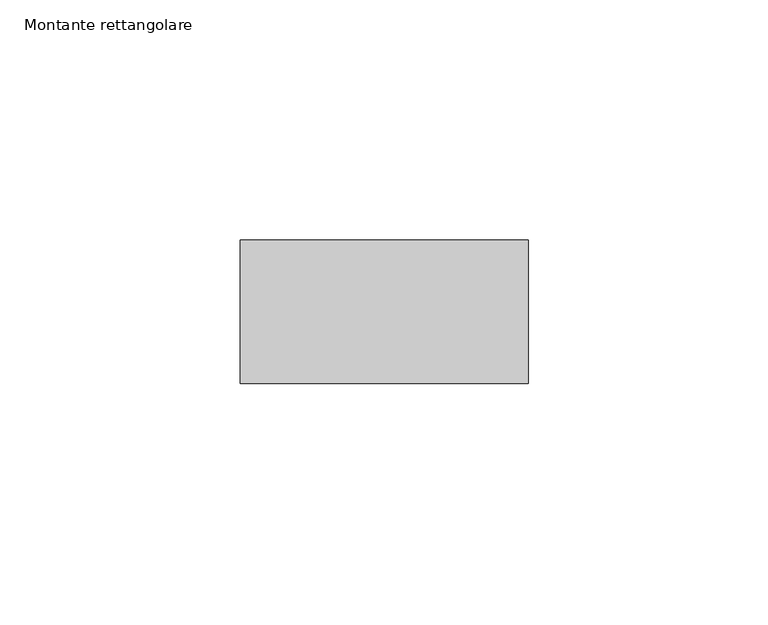
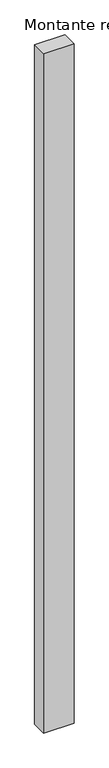
"""IFC4 building model written with IfcOpenShell, lengths in millimetres: member geometry, Montante rettangolare."""

from ifc_helpers import new_model, si_unit, frame, origin, place, context, project, spatial, polyline, outline, extrude, source, transform, mapped, element, save


def montante_rettangolare_95091756(model_context):
    return source(origin(), model_context, "Body", "SweptSolid", [
        extrude(outline(polyline([(0.0, 15.0), (0.0, -15.0), (-60.0, -15.0), (-60.0, 15.0), (0.0, 15.0)])), frame((0.0, 0.0, -1417.2931609), z_axis=(0.0, 0.0, 1.0), x_axis=(1.0, 0.0, 0.0)), (0.0, 0.0, 1.0), 1417.2931609),
    ])


if __name__ == "__main__":
    model = new_model("IFC4")
    model_context = context("Model", 3, world=origin())
    ifc_project = project(units=[si_unit("LENGTHUNIT", "METRE", prefix="MILLI")], contexts=[model_context])
    site = spatial("IfcSite", under=ifc_project)
    building = spatial("IfcBuilding", under=site)
    placement = place(None, origin())
    montante_rettangolare_shape = montante_rettangolare_95091756(model_context)
    element("IfcMember", 1, ObjectType="Montante rettangolare", at=placement, inside=building, context=model_context, shape_type="MappedRepresentation", body=[
        mapped(montante_rettangolare_shape, transform((0.0, 0.0, 0.0), x_axis=(1.0, 0.0, 0.0), y_axis=(0.0, 1.0, 0.0), z_axis=(0.0, 0.0, 1.0))),
    ])
    save(model, "model.ifc")
